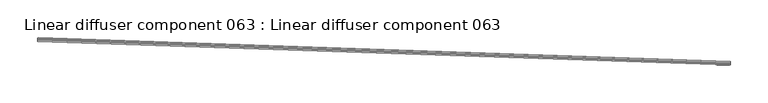
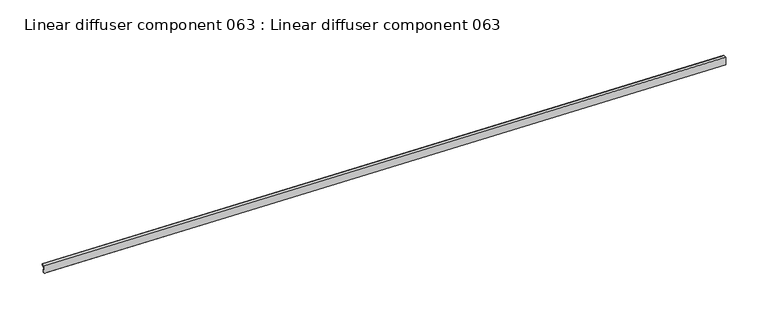
"""IFC4 building model written with IfcOpenShell, lengths in millimetres: proxy geometry, Linear diffuser component 063 : Linear diffuser component 063."""

from ifc_helpers import new_model, si_unit, origin, place, context, project, spatial, triangles, source, transform, mapped, element, save


def linear_diffuser_component_063_linear_diffuser_component_063_44665e9e(model_context):
    return source(origin(), model_context, "Body", "Tessellation", [
        triangles([(34346.843042, -15696.4256287, 3052.9982323), (33432.9778931, -15665.1519562, 3052.9982323), (33432.9499878, -15665.9600464, 3053.934803), (34346.8151367, -15697.2337189, 3053.934803), (33432.940686, -15666.2495636, 3055.1364738), (34346.805835, -15697.5243988, 3055.1364738), (33432.9662659, -15665.4798431, 3056.9985695), (34346.8314148, -15696.7546783, 3056.9985695), (33433.0360291, -15663.4648499, 3057.8307861), (34346.901178, -15694.7385223, 3057.8307861), (34346.9151306, -15694.3315704, 3058.14879), (33433.0499817, -15663.0567352, 3058.14879), (33433.0499817, -15663.0567352, 3060.1230881), (34346.9151306, -15694.3315704, 3060.1230881), (33433.0360291, -15663.4450836, 3060.1230881), (34346.901178, -15694.7187561, 3060.1230881), (33433.0360291, -15663.4450836, 3060.5111458), (34346.901178, -15694.7187561, 3060.5111458), (33432.8755737, -15668.1157288, 3060.5111458), (34346.7407227, -15699.390564, 3060.5111458), (33432.8755737, -15668.1157288, 3059.7356117), (34346.7407227, -15699.390564, 3059.7356117), (34346.7453735, -15699.2731293, 3059.7356117), (33432.8802246, -15667.9994568, 3059.7356117), (33432.8802246, -15667.9994568, 3049.7164558), (34346.7453735, -15699.2731293, 3049.7164558), (33432.9360352, -15666.4065308, 3049.7164558), (34346.7988586, -15697.681366, 3049.7164558), (33432.9360352, -15666.4065308, 3048.9377243), (34346.7988586, -15697.681366, 3048.9377243), (33432.9709167, -15665.3833374, 3048.9377243), (34346.8360657, -15696.6570099, 3048.9377243), (34346.8476929, -15696.2663361, 3049.325782), (33432.9825439, -15664.9915009, 3049.325782), (33432.9825439, -15664.9915009, 3052.6799377), (34346.8476929, -15696.2663361, 3052.6799377), (33432.9709167, -15665.3798492, 3052.6799377), (34346.8360657, -15696.6546844, 3052.6799377)], [[4, 1, 2], [2, 3, 4], [6, 4, 5], [3, 5, 4], [8, 6, 7], [5, 7, 6], [10, 8, 7], [7, 9, 10], [14, 11, 13], [12, 13, 11], [16, 14, 15], [13, 15, 14], [18, 16, 17], [15, 17, 16], [20, 18, 17], [17, 19, 20], [22, 20, 21], [19, 21, 20], [26, 23, 25], [24, 25, 23], [28, 26, 27], [25, 27, 26], [30, 28, 27], [27, 29, 30], [32, 30, 29], [29, 31, 32], [36, 33, 34], [34, 35, 36], [38, 36, 37], [35, 37, 36], [1, 38, 2], [37, 2, 38]], closed=False),
    ])


if __name__ == "__main__":
    model = new_model("IFC4")
    model_context = context("Model", 3, world=origin())
    ifc_project = project(units=[si_unit("LENGTHUNIT", "METRE", prefix="MILLI")], contexts=[model_context])
    site = spatial("IfcSite", under=ifc_project)
    building = spatial("IfcBuilding", under=site)
    placement = place(None, origin())
    linear_diffuser_component_063_linear_diffuser_component_063_shape = linear_diffuser_component_063_linear_diffuser_component_063_44665e9e(model_context)
    element("IfcBuildingElementProxy", 1, Name="Linear diffuser component 063 : Linear diffuser component 063", ObjectType="Linear diffuser component 063 : Linear diffuser component 063", at=placement, inside=building, context=model_context, shape_type="MappedRepresentation", body=[
        mapped(linear_diffuser_component_063_linear_diffuser_component_063_shape, transform((0.0, 0.0, 0.0), x_axis=(1.0, 0.0, 0.0), y_axis=(0.0, 1.0, 0.0), z_axis=(0.0, 0.0, 1.0))),
    ])
    save(model, "model.ifc")
